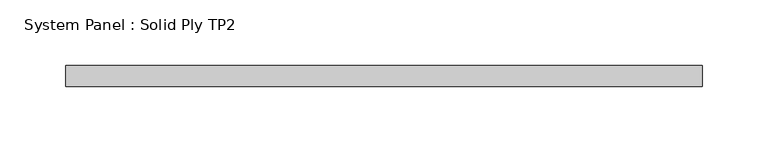
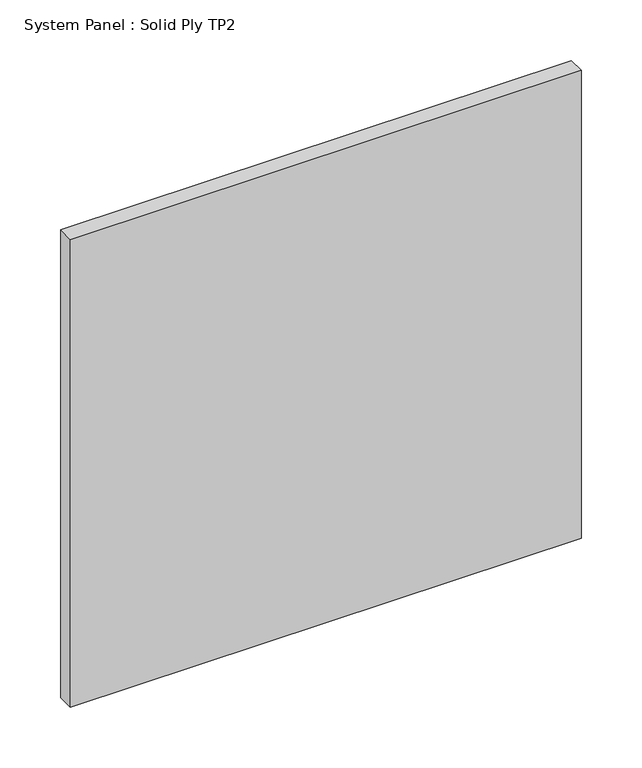
"""IFC4 building model written with IfcOpenShell, lengths in millimetres: plate geometry, System Panel : Solid Ply TP2."""

from ifc_helpers import new_model, si_unit, origin, origin_with_axes, place, context, project, spatial, polyline, outline, extrude, source, transform, mapped, element, save


def system_panel_solid_ply_tp2_f25b77ec(model_context):
    return source(origin(), model_context, "Body", "SweptSolid", [
        extrude(outline(polyline([(242.7210738, -23.0), (-242.7210738, -23.0), (-242.7210738, -7.0), (242.7210738, -7.0), (242.7210738, -23.0)])), origin_with_axes(), (0.0, 0.0, 1.0), 470.0),
    ])


if __name__ == "__main__":
    model = new_model("IFC4")
    model_context = context("Model", 3, world=origin())
    ifc_project = project(units=[si_unit("LENGTHUNIT", "METRE", prefix="MILLI")], contexts=[model_context])
    site = spatial("IfcSite", under=ifc_project)
    building = spatial("IfcBuilding", under=site)
    placement = place(None, origin())
    system_panel_solid_ply_tp2_shape = system_panel_solid_ply_tp2_f25b77ec(model_context)
    element("IfcPlate", 1, ObjectType="System Panel : Solid Ply TP2", at=placement, inside=building, context=model_context, shape_type="MappedRepresentation", body=[
        mapped(system_panel_solid_ply_tp2_shape, transform((0.0, 0.0, 0.0), x_axis=(1.0, 0.0, 0.0), y_axis=(0.0, 1.0, 0.0), z_axis=(0.0, 0.0, 1.0))),
    ])
    save(model, "model.ifc")
